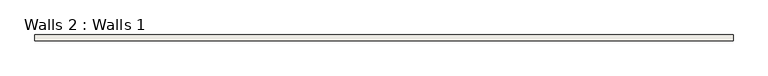
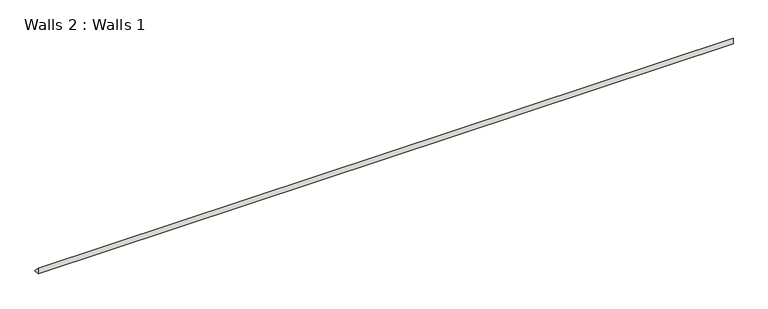
"""IFC4 building model written with IfcOpenShell, lengths in millimetres: wall geometry, Walls 2 : Walls 1."""

from ifc_helpers import new_model, si_unit, frame, origin, place, context, project, spatial, polyline, outline, extrude, source, transform, mapped, element, save


def walls_2_walls_1_85459513(model_context):
    return source(origin(), model_context, "Body", "SweptSolid", [
        extrude(outline(polyline([(7082.6943472, 19.05), (7101.7443472, 0.0), (7082.6943472, 0.0), (7082.6943472, 19.05)])), frame((-3151.0984529, 0.0, 0.0), z_axis=(1.0, 0.0, 0.0), x_axis=(0.0, 1.0, 0.0)), (0.0, 0.0, 1.0), 2260.6),
    ])


if __name__ == "__main__":
    model = new_model("IFC4")
    model_context = context("Model", 3, world=origin())
    ifc_project = project(units=[si_unit("LENGTHUNIT", "METRE", prefix="MILLI")], contexts=[model_context])
    site = spatial("IfcSite", under=ifc_project)
    building = spatial("IfcBuilding", under=site)
    placement = place(None, origin())
    walls_2_walls_1_shape = walls_2_walls_1_85459513(model_context)
    element("IfcWall", 1, ObjectType="Walls 2 : Walls 1", at=placement, inside=building, context=model_context, shape_type="MappedRepresentation", body=[
        mapped(walls_2_walls_1_shape, transform((0.0, 0.0, 0.0), x_axis=(1.0, 0.0, 0.0), y_axis=(0.0, 1.0, 0.0), z_axis=(0.0, 0.0, 1.0))),
    ])
    save(model, "model.ifc")
